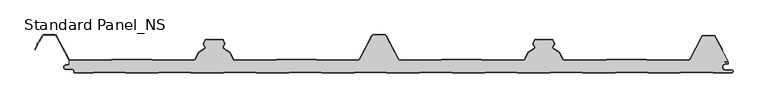
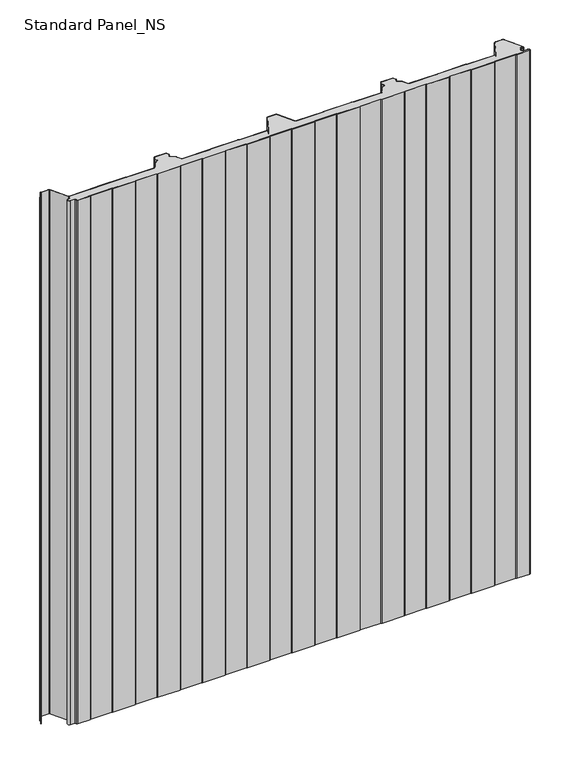
"""IFC4 building model written with IfcOpenShell, lengths in millimetres: proxy geometry, Standard Panel_NS."""

from ifc_helpers import new_model, si_unit, point, frame_2d, origin, origin_with_axes, place, context, project, spatial, polyline, circle_curve, trimmed, segment, composite_curve, outline, extrude, source, transform, mapped, element, save


def standard_panel_ns_ea14950c(model_context):
    return source(origin(), model_context, "Body", "SweptSolid", [
        extrude(outline(composite_curve([segment(polyline([(-467.4564897, 19.186297), (-406.1619183, 19.186297), (-403.7802849, 20.1546867), (-343.9889442, 20.1546867), (-341.6073108, 19.186297), (-279.468044, 19.186297)]), True, "CONTINUOUS"), segment(trimmed(circle_curve(frame_2d((-279.4708299, 20.9862949)), 1.8), [point((-279.468044, 19.186297))], [point((-277.8815327, 20.1412302))], True, "CARTESIAN"), True, "CONTINUOUS"), segment(polyline([(-277.8815327, 20.1412302), (-271.7571118, 31.6593134), (-262.7737199, 37.3469308)]), True, "CONTINUOUS"), segment(trimmed(circle_curve(frame_2d((-263.7365884, 38.8677478)), 1.8), [point((-262.7737199, 37.3469308))], [point((-262.1275659, 39.6746224))], True, "CARTESIAN"), True, "CONTINUOUS"), segment(polyline([(-262.1275659, 39.6746224), (-264.7246358, 44.8535484), (-261.74715, 50.4532499), (-236.2531818, 50.4532499), (-233.2700817, 44.8427209), (-235.8618916, 39.6745401)]), True, "CONTINUOUS"), segment(trimmed(circle_curve(frame_2d((-234.2528851, 38.8676336)), 1.8), [point((-235.8618916, 39.6745401))], [point((-235.2157839, 37.3468358))], True, "CARTESIAN"), True, "CONTINUOUS"), segment(polyline([(-235.2157839, 37.3468358), (-226.2491619, 31.6695862), (-220.1195157, 20.1411234)]), True, "CONTINUOUS"), segment(trimmed(circle_curve(frame_2d((-218.5304355, 20.9860322)), 1.7997352), [point((-220.1195157, 20.1411234))], [point((-218.5304355, 19.186297))], True, "CARTESIAN"), True, "CONTINUOUS"), segment(polyline([(-218.5304355, 19.186297), (-156.392871, 19.186297), (-154.0112306, 20.1546867), (-94.2198897, 20.1546867), (-91.8382499, 19.186297), (-30.5436784, 19.186297)]), True, "CONTINUOUS"), segment(trimmed(circle_curve(frame_2d((-30.5436784, 21.736297)), 2.55), [point((-30.5436784, 19.186297))], [point((-28.292162, 20.5391446))], True, "CARTESIAN"), True, "CONTINUOUS"), segment(polyline([(-28.292162, 20.5391446), (-9.1889275, 56.4671034)]), True, "CONTINUOUS"), segment(trimmed(circle_curve(frame_2d((-7.3788849, 55.5046867)), 2.05), [point((-9.1889275, 56.4671034))], [point((-7.3788849, 57.5546867))], False, "CARTESIAN"), True, "CONTINUOUS"), segment(polyline([(-7.3788849, 57.5546867), (9.3787035, 57.5546867)]), True, "CONTINUOUS"), segment(trimmed(circle_curve(frame_2d((9.3787035, 55.5046867)), 2.05), [point((9.3787035, 57.5546867))], [point((11.188746, 56.4671034))], False, "CARTESIAN"), True, "CONTINUOUS"), segment(polyline([(11.188746, 56.4671034), (30.2919806, 20.5391446)]), True, "CONTINUOUS"), segment(trimmed(circle_curve(frame_2d((32.543497, 21.736297)), 2.55), [point((30.2919806, 20.5391446))], [point((32.543497, 19.186297))], True, "CARTESIAN"), True, "CONTINUOUS"), segment(polyline([(32.543497, 19.186297), (93.8380684, 19.186297), (96.2197082, 20.1546867), (156.0110491, 20.1546867), (158.3926889, 19.186297), (220.3454724, 19.186297)]), True, "CONTINUOUS"), segment(trimmed(circle_curve(frame_2d((220.5302541, 20.9767874)), 1.8), [point((220.3454724, 19.186297))], [point((222.1195681, 20.1317543))], True, "CARTESIAN"), True, "CONTINUOUS"), segment(polyline([(222.1195681, 20.1317543), (228.2489804, 31.6597772), (237.2156025, 37.3370268)]), True, "CONTINUOUS"), segment(trimmed(circle_curve(frame_2d((236.2527038, 38.8578247)), 1.8), [point((237.2156025, 37.3370268))], [point((237.8617103, 39.6647312))], True, "CARTESIAN"), True, "CONTINUOUS"), segment(polyline([(237.8617103, 39.6647312), (235.2699012, 44.8329103), (238.2529825, 50.4436039), (263.7468294, 50.4436039), (266.7244548, 44.8437404), (264.1273846, 39.6648134)]), True, "CONTINUOUS"), segment(trimmed(circle_curve(frame_2d((265.7364071, 38.8579389)), 1.8), [point((264.1273846, 39.6648134))], [point((264.7735386, 37.3371219))], True, "CARTESIAN"), True, "CONTINUOUS"), segment(polyline([(264.7735386, 37.3371219), (273.7569305, 31.6495044), (279.8813514, 20.1314213)]), True, "CONTINUOUS"), segment(trimmed(circle_curve(frame_2d((281.4706486, 20.976486)), 1.8), [point((279.8813514, 20.1314213))], [point((281.6583282, 19.186297))], True, "CARTESIAN"), True, "CONTINUOUS"), segment(polyline([(281.6583282, 19.186297), (343.440414, 19.186297), (346.4559229, 20.1546867), (406.3541332, 20.1546867), (409.30759, 19.186297), (470.7064911, 19.186297)]), True, "CONTINUOUS"), segment(trimmed(circle_curve(frame_2d((470.7064911, 21.7061794)), 2.5198823), [point((470.7064911, 19.186297))], [point((472.9163892, 20.4953296))], True, "CARTESIAN"), True, "CONTINUOUS"), segment(polyline([(472.9163892, 20.4953296), (491.4348615, 55.4676577)]), True, "CONTINUOUS"), segment(trimmed(circle_curve(frame_2d((493.2446093, 54.5046867)), 2.05), [point((491.4348615, 55.4676577))], [point((493.2446093, 56.5546867))], False, "CARTESIAN"), True, "CONTINUOUS"), segment(polyline([(493.2446093, 56.5546867), (508.7552093, 56.5546867)]), True, "CONTINUOUS"), segment(trimmed(circle_curve(frame_2d((508.7552093, 54.5046867)), 2.05), [point((508.7552093, 56.5546867))], [point((510.5652518, 55.4671034))], False, "CARTESIAN"), True, "CONTINUOUS"), segment(polyline([(510.5652518, 55.4671034), (531.1556156, 16.7422613), (531.1556156, 15.3551162)]), True, "CONTINUOUS"), segment(trimmed(circle_curve(frame_2d((529.5058468, 15.3274964)), 1.65), [point((531.1556156, 15.3551162))], [point((529.7378129, 16.9611095))], True, "CARTESIAN"), True, "CONTINUOUS"), segment(polyline([(529.7378129, 16.9611095), (524.8136969, 17.660313), (524.7012285, 16.8682582), (529.6253445, 16.1690547)]), True, "CONTINUOUS"), segment(trimmed(circle_curve(frame_2d((529.5058468, 15.3274964)), 0.85), [point((529.6253445, 16.1690547))], [point((529.6534477, 14.4904098))], False, "CARTESIAN"), True, "CONTINUOUS"), segment(polyline([(529.6534477, 14.4904098), (525.3286815, 13.7278368)]), True, "CONTINUOUS"), segment(trimmed(circle_curve(frame_2d((526.1535103, 9.05)), 4.75), [point((525.3286815, 13.7278368))], [point((526.1535103, 4.3))], True, "CARTESIAN"), True, "CONTINUOUS"), segment(polyline([(526.1535103, 4.3), (535.6535103, 4.3)]), True, "CONTINUOUS"), segment(trimmed(circle_curve(frame_2d((535.6535103, 2.55)), 1.75), [point((535.6535103, 4.3))], [point((535.6535103, 0.8))], False, "CARTESIAN"), True, "CONTINUOUS"), segment(polyline([(535.6535103, 0.8), (508.0955244, 0.8), (506.3634736, 1.8), (459.8988565, 1.8), (458.1668057, 0.8), (409.0955244, 0.8), (407.3634736, 1.8), (360.8988565, 1.8), (359.1668057, 0.8), (310.0955244, 0.8), (308.3634736, 1.8), (261.8988565, 1.8), (260.1668057, 0.8), (211.097319, 0.8), (209.3228176, 1.8), (162.8988565, 1.8), (161.1668057, 0.8), (112.0955244, 0.8), (110.3634736, 1.8), (63.8988565, 1.8), (62.1668057, 0.8), (13.0955244, 0.8), (11.3634736, 1.8), (-35.1011435, 1.8), (-36.8331943, 0.8), (-85.902681, 0.8), (-87.6771824, 1.8), (-134.1011435, 1.8), (-135.8331943, 0.8), (-184.902681, 0.8), (-186.6771824, 1.8), (-233.1011435, 1.8), (-234.8331943, 0.8), (-283.9044756, 0.8), (-285.6365264, 1.8), (-332.1011435, 1.8), (-333.8331943, 0.786297), (-382.902681, 0.786297), (-384.6771824, 1.786297), (-431.1011435, 1.786297), (-432.8331943, 0.786297), (-459.8464897, 0.786297)]), True, "CONTINUOUS"), segment(trimmed(circle_curve(frame_2d((-459.8464897, 2.036297)), 1.25), [point((-459.8464897, 0.786297))], [point((-461.0964897, 2.036297))], False, "CARTESIAN"), True, "CONTINUOUS"), segment(polyline([(-461.0964897, 2.036297), (-461.0964897, 3.436297)]), True, "CONTINUOUS"), segment(trimmed(circle_curve(frame_2d((-463.8464897, 3.436297)), 2.75), [point((-461.0964897, 3.436297))], [point((-463.8464897, 6.186297))], True, "CARTESIAN"), True, "CONTINUOUS"), segment(polyline([(-463.8464897, 6.186297), (-473.6464897, 6.186297)]), True, "CONTINUOUS"), segment(trimmed(circle_curve(frame_2d((-473.6464897, 9.036297)), 2.85), [point((-473.6464897, 6.186297))], [point((-474.2876002, 11.8132517))], False, "CARTESIAN"), True, "CONTINUOUS"), segment(polyline([(-474.2876002, 11.8132517), (-468.8443846, 13.0699171), (-468.8443846, 19.5970804)]), True, "CONTINUOUS"), segment(trimmed(circle_curve(frame_2d((-467.4564897, 21.736297)), 2.55), [point((-468.8443846, 19.5970804))], [point((-467.4564897, 19.186297))], True, "CARTESIAN"), True, "CONTINUOUS")], self_intersect=False)), origin_with_axes(), (0.0, 0.0, 1.0), 1219.2),
        extrude(outline(composite_curve([segment(polyline([(535.6535103, 0.0), (507.881165, 0.0), (506.1491142, 1.0), (460.1132158, 1.0), (458.381165, 0.0), (408.881165, 0.0), (407.1491142, 1.0), (361.1132158, 1.0), (359.381165, 0.0), (309.881165, 0.0), (308.1491142, 1.0), (262.1132158, 1.0), (260.381165, 0.0), (210.8874211, 0.0), (209.1129196, 1.0), (163.1132158, 1.0), (161.381165, 0.0), (111.881165, 0.0), (110.1491142, 1.0), (64.1132158, 1.0), (62.381165, 0.0), (12.881165, 0.0), (11.1491142, 1.0), (-34.8867842, 1.0), (-36.618835, 0.0), (-86.1125789, 0.0), (-87.8870804, 1.0), (-133.8867842, 1.0), (-135.618835, 0.0), (-185.1125789, 0.0), (-186.8870804, 1.0), (-232.8867842, 1.0), (-234.618835, 0.0), (-284.118835, 0.0), (-285.8508858, 1.0), (-331.8867842, 1.0), (-333.618835, -0.013703), (-383.1125789, -0.013703), (-384.8870804, 0.986297), (-430.8867842, 0.986297), (-432.618835, -0.013703), (-459.8464897, -0.013703)]), True, "CONTINUOUS"), segment(trimmed(circle_curve(frame_2d((-459.8464897, 2.036297)), 2.05), [point((-459.8464897, -0.013703))], [point((-461.8964897, 2.036297))], False, "CARTESIAN"), True, "CONTINUOUS"), segment(polyline([(-461.8964897, 2.036297), (-461.8964897, 3.436297)]), True, "CONTINUOUS"), segment(trimmed(circle_curve(frame_2d((-463.8464897, 3.436297)), 1.95), [point((-461.8964897, 3.436297))], [point((-463.8464897, 5.386297))], True, "CARTESIAN"), True, "CONTINUOUS"), segment(polyline([(-463.8464897, 5.386297), (-473.6464897, 5.386297)]), True, "CONTINUOUS"), segment(trimmed(circle_curve(frame_2d((-473.6464897, 9.036297)), 3.65), [point((-473.6464897, 5.386297))], [point((-474.4675611, 12.5927478))], False, "CARTESIAN"), True, "CONTINUOUS"), segment(polyline([(-474.4675611, 12.5927478), (-469.0243454, 13.8494131), (-468.8443846, 13.0699171), (-474.2876002, 11.8132517)]), True, "CONTINUOUS"), segment(trimmed(circle_curve(frame_2d((-473.6464897, 9.036297)), 2.85), [point((-474.2876002, 11.8132517))], [point((-473.6464897, 6.186297))], True, "CARTESIAN"), True, "CONTINUOUS"), segment(polyline([(-473.6464897, 6.186297), (-463.8464897, 6.186297)]), True, "CONTINUOUS"), segment(trimmed(circle_curve(frame_2d((-463.8464897, 3.436297)), 2.75), [point((-463.8464897, 6.186297))], [point((-461.0964897, 3.436297))], False, "CARTESIAN"), True, "CONTINUOUS"), segment(polyline([(-461.0964897, 3.436297), (-461.0964897, 2.036297)]), True, "CONTINUOUS"), segment(trimmed(circle_curve(frame_2d((-459.8464897, 2.036297)), 1.25), [point((-461.0964897, 2.036297))], [point((-459.8464897, 0.786297))], True, "CARTESIAN"), True, "CONTINUOUS"), segment(polyline([(-459.8464897, 0.786297), (-432.8331943, 0.786297), (-431.1011435, 1.786297), (-384.6771824, 1.786297), (-382.902681, 0.786297), (-333.8331943, 0.786297), (-332.1011435, 1.8), (-285.6365264, 1.8), (-283.9044756, 0.8), (-234.8331943, 0.8), (-233.1011435, 1.8), (-186.6771824, 1.8), (-184.902681, 0.8), (-135.8331943, 0.8), (-134.1011435, 1.8), (-87.6771824, 1.8), (-85.902681, 0.8), (-36.8331943, 0.8), (-35.1011435, 1.8), (11.3634736, 1.8), (13.0955244, 0.8), (62.1668057, 0.8), (63.8988565, 1.8), (110.3634736, 1.8), (112.0955244, 0.8), (161.1668057, 0.8), (162.8988565, 1.8), (209.3228176, 1.8), (211.097319, 0.8), (260.1668057, 0.8), (261.8988565, 1.8), (308.3634736, 1.8), (310.0955244, 0.8), (359.1668057, 0.8), (360.8988565, 1.8), (407.3634736, 1.8), (409.0955244, 0.8), (458.1668057, 0.8), (459.8988565, 1.8), (506.3634736, 1.8), (508.0955244, 0.8), (535.6535103, 0.8)]), True, "CONTINUOUS"), segment(trimmed(circle_curve(frame_2d((535.6535103, 2.55)), 1.75), [point((535.6535103, 0.8))], [point((535.6535103, 4.3))], True, "CARTESIAN"), True, "CONTINUOUS"), segment(polyline([(535.6535103, 4.3), (526.1535103, 4.3)]), True, "CONTINUOUS"), segment(trimmed(circle_curve(frame_2d((526.1535103, 9.05)), 4.75), [point((526.1535103, 4.3))], [point((525.3286815, 13.7278368))], False, "CARTESIAN"), True, "CONTINUOUS"), segment(polyline([(525.3286815, 13.7278368), (529.6534477, 14.4904098)]), True, "CONTINUOUS"), segment(trimmed(circle_curve(frame_2d((529.5058468, 15.3274964)), 0.85), [point((529.6534477, 14.4904098))], [point((529.6253445, 16.1690547))], True, "CARTESIAN"), True, "CONTINUOUS"), segment(polyline([(529.6253445, 16.1690547), (524.7012285, 16.8682582), (524.8136969, 17.660313), (529.7378129, 16.9611095)]), True, "CONTINUOUS"), segment(trimmed(circle_curve(frame_2d((529.5058468, 15.3274964)), 1.65), [point((529.7378129, 16.9611095))], [point((529.7923663, 13.7025636))], False, "CARTESIAN"), True, "CONTINUOUS"), segment(polyline([(529.7923663, 13.7025636), (525.4676, 12.9399906)]), True, "CONTINUOUS"), segment(trimmed(circle_curve(frame_2d((526.1535103, 9.05)), 3.95), [point((525.4676, 12.9399906))], [point((526.1535103, 5.1))], True, "CARTESIAN"), True, "CONTINUOUS"), segment(polyline([(526.1535103, 5.1), (535.6535103, 5.1)]), True, "CONTINUOUS"), segment(trimmed(circle_curve(frame_2d((535.6535103, 2.55)), 2.55), [point((535.6535103, 5.1))], [point((535.6535103, 0.0))], False, "CARTESIAN"), True, "CONTINUOUS")], self_intersect=False)), origin_with_axes(), (0.0, 0.0, 1.0), 1219.2),
        extrude(outline(composite_curve([segment(polyline([(-467.4564897, 20.0), (-406.318343, 20.0), (-403.9367096, 20.9683897), (-343.8325195, 20.9683897), (-341.4508861, 20.0), (-279.4687534, 20.0)]), True, "CONTINUOUS"), segment(trimmed(circle_curve(frame_2d((-279.4708299, 20.9999978)), 1.0), [point((-279.4687534, 20.0))], [point((-278.587887, 20.5305175))], True, "CARTESIAN"), True, "CONTINUOUS"), segment(polyline([(-278.587887, 20.5305175), (-272.3640204, 32.2356263), (-263.2016615, 38.0365524)]), True, "CONTINUOUS"), segment(trimmed(circle_curve(frame_2d((-263.7365884, 38.8814507)), 1.0), [point((-263.2016615, 38.0365524))], [point((-262.842687, 39.3297144))], True, "CARTESIAN"), True, "CONTINUOUS"), segment(polyline([(-262.842687, 39.3297144), (-265.393451, 44.4163001)]), True, "CONTINUOUS"), segment(trimmed(circle_curve(frame_2d((-264.4995496, 44.8645637)), 1.0), [point((-265.393451, 44.4163001))], [point((-265.3824926, 45.3340441))], False, "CARTESIAN"), True, "CONTINUOUS"), segment(polyline([(-265.3824926, 45.3340441), (-262.6508365, 50.4714183)]), True, "CONTINUOUS"), segment(trimmed(circle_curve(frame_2d((-261.3264221, 49.7671978)), 1.5), [point((-262.6508365, 50.4714183))], [point((-261.2993182, 51.2669529))], False, "CARTESIAN"), True, "CONTINUOUS"), segment(polyline([(-261.2993182, 51.2669529), (-236.6737889, 51.2669529)]), True, "CONTINUOUS"), segment(trimmed(circle_curve(frame_2d((-236.6737889, 49.7669529)), 1.5), [point((-236.6737889, 51.2669529))], [point((-235.3493606, 50.4711471))], False, "CARTESIAN"), True, "CONTINUOUS"), segment(polyline([(-235.3493606, 50.4711471), (-232.6122157, 45.3232034)]), True, "CONTINUOUS"), segment(trimmed(circle_curve(frame_2d((-233.4951679, 44.8537406)), 1.0), [point((-232.6122157, 45.3232034))], [point((-232.6012754, 44.4054592))], False, "CARTESIAN"), True, "CONTINUOUS"), segment(polyline([(-232.6012754, 44.4054592), (-235.1467776, 39.329618)]), True, "CONTINUOUS"), segment(trimmed(circle_curve(frame_2d((-234.2528851, 38.8813366)), 1.0), [point((-235.1467776, 39.329618))], [point((-234.7878289, 38.0364489))], True, "CARTESIAN"), True, "CONTINUOUS"), segment(polyline([(-234.7878289, 38.0364489), (-225.6422421, 32.2458871), (-219.413154, 20.5303966)]), True, "CONTINUOUS"), segment(trimmed(circle_curve(frame_2d((-218.5304355, 20.9997352)), 0.9997353), [point((-219.413154, 20.5303966))], [point((-218.5304355, 19.9999999))], True, "CARTESIAN"), True, "CONTINUOUS"), segment(polyline([(-218.5304355, 19.9999999), (-156.5492953, 19.9999999), (-154.1676549, 20.9683897), (-94.0634654, 20.9683897), (-91.6818255, 20.0), (-30.5436784, 20.0)]), True, "CONTINUOUS"), segment(trimmed(circle_curve(frame_2d((-30.5436784, 21.75)), 1.75), [point((-30.5436784, 20.0))], [point((-28.9985201, 20.9284248))], True, "CARTESIAN"), True, "CONTINUOUS"), segment(polyline([(-28.9985201, 20.9284248), (-9.8952855, 56.8563836)]), True, "CONTINUOUS"), segment(trimmed(circle_curve(frame_2d((-7.3788849, 55.5183897)), 2.85), [point((-9.8952855, 56.8563836))], [point((-7.3788849, 58.3683897))], False, "CARTESIAN"), True, "CONTINUOUS"), segment(polyline([(-7.3788849, 58.3683897), (9.3787035, 58.3683897)]), True, "CONTINUOUS"), segment(trimmed(circle_curve(frame_2d((9.3787035, 55.5183897)), 2.85), [point((9.3787035, 58.3683897))], [point((11.8951041, 56.8563836))], False, "CARTESIAN"), True, "CONTINUOUS"), segment(polyline([(11.8951041, 56.8563836), (30.9983387, 20.9284248)]), True, "CONTINUOUS"), segment(trimmed(circle_curve(frame_2d((32.543497, 21.75)), 1.75), [point((30.9983387, 20.9284248))], [point((32.543497, 20.0))], True, "CARTESIAN"), True, "CONTINUOUS"), segment(polyline([(32.543497, 20.0), (93.6816441, 20.0), (96.0632839, 20.9683897), (156.1674734, 20.9683897), (158.5491133, 20.0), (220.3926719, 20.0)]), True, "CONTINUOUS"), segment(trimmed(circle_curve(frame_2d((220.5302541, 20.9904904)), 1.0), [point((220.3926719, 20.0))], [point((221.4132063, 20.5210275))], True, "CARTESIAN"), True, "CONTINUOUS"), segment(polyline([(221.4132063, 20.5210275), (227.6420606, 32.2360781), (236.7876475, 38.0266399)]), True, "CONTINUOUS"), segment(trimmed(circle_curve(frame_2d((236.2527038, 38.8715276)), 1.0), [point((236.7876475, 38.0266399))], [point((237.1465963, 39.319809))], True, "CARTESIAN"), True, "CONTINUOUS"), segment(polyline([(237.1465963, 39.319809), (234.6010941, 44.3956503)]), True, "CONTINUOUS"), segment(trimmed(circle_curve(frame_2d((235.4949866, 44.8439317)), 1.0), [point((234.6010941, 44.3956503))], [point((234.6120274, 45.3133815))], False, "CARTESIAN"), True, "CONTINUOUS"), segment(polyline([(234.6120274, 45.3133815), (237.3491357, 50.4614397)]), True, "CONTINUOUS"), segment(trimmed(circle_curve(frame_2d((238.673644, 49.7572281)), 1.5000788), [point((237.3491357, 50.4614397))], [point((238.673644, 51.2573069))], False, "CARTESIAN"), True, "CONTINUOUS"), segment(polyline([(238.673644, 51.2573069), (263.3262591, 51.2573069)]), True, "CONTINUOUS"), segment(trimmed(circle_curve(frame_2d((263.3262591, 49.7573465)), 1.4999604), [point((263.3262591, 51.2573069))], [point((264.6506332, 50.4615583))], False, "CARTESIAN"), True, "CONTINUOUS"), segment(polyline([(264.6506332, 50.4615583), (267.3823077, 45.3242418)]), True, "CONTINUOUS"), segment(trimmed(circle_curve(frame_2d((266.4993683, 44.8547548)), 1.0), [point((267.3823077, 45.3242418))], [point((267.3932697, 44.4064911))], False, "CARTESIAN"), True, "CONTINUOUS"), segment(polyline([(267.3932697, 44.4064911), (264.8425057, 39.3199055)]), True, "CONTINUOUS"), segment(trimmed(circle_curve(frame_2d((265.7364071, 38.8716418)), 1.0), [point((264.8425057, 39.3199055))], [point((265.2014801, 38.0267435))], True, "CARTESIAN"), True, "CONTINUOUS"), segment(polyline([(265.2014801, 38.0267435), (274.3638391, 32.2258174), (280.5877057, 20.5207085)]), True, "CONTINUOUS"), segment(trimmed(circle_curve(frame_2d((281.4706486, 20.9901889)), 1.0), [point((280.5877057, 20.5207085))], [point((281.6103837, 20.0))], True, "CARTESIAN"), True, "CONTINUOUS"), segment(polyline([(281.6103837, 20.0), (343.3151107, 20.0), (346.3306196, 20.9683897), (406.4819392, 20.9683897), (409.435396, 20.0), (470.7064911, 20.0)]), True, "CONTINUOUS"), segment(trimmed(circle_curve(frame_2d((470.7064911, 21.7198823)), 1.7198823), [point((470.7064911, 20.0))], [point((472.2123141, 20.8889236))], True, "CARTESIAN"), True, "CONTINUOUS"), segment(polyline([(472.2123141, 20.8889236), (490.7282086, 55.8563836)]), True, "CONTINUOUS"), segment(trimmed(circle_curve(frame_2d((493.2446093, 54.5183897)), 2.85), [point((490.7282086, 55.8563836))], [point((493.2446093, 57.3683897))], False, "CARTESIAN"), True, "CONTINUOUS"), segment(polyline([(493.2446093, 57.3683897), (508.7552093, 57.3683897)]), True, "CONTINUOUS"), segment(trimmed(circle_curve(frame_2d((508.7552093, 54.5183897)), 2.85), [point((508.7552093, 57.3683897))], [point((511.2716099, 55.8563836))], False, "CARTESIAN"), True, "CONTINUOUS"), segment(polyline([(511.2716099, 55.8563836), (522.2394046, 35.2289619), (521.5330465, 34.8533847), (510.5652518, 55.4808064)]), True, "CONTINUOUS"), segment(trimmed(circle_curve(frame_2d((508.7552093, 54.5183897)), 2.05), [point((510.5652518, 55.4808064))], [point((508.7552093, 56.5683897))], True, "CARTESIAN"), True, "CONTINUOUS"), segment(polyline([(508.7552093, 56.5683897), (493.2446093, 56.5683897)]), True, "CONTINUOUS"), segment(trimmed(circle_curve(frame_2d((493.2446093, 54.5183897)), 2.05), [point((493.2446093, 56.5683897))], [point((491.4348615, 55.4813607))], True, "CARTESIAN"), True, "CONTINUOUS"), segment(polyline([(491.4348615, 55.4813607), (472.9163892, 20.5090325)]), True, "CONTINUOUS"), segment(trimmed(circle_curve(frame_2d((470.7064911, 21.7198823)), 2.5198823), [point((472.9163892, 20.5090325))], [point((470.7064911, 19.2))], False, "CARTESIAN"), True, "CONTINUOUS"), segment(polyline([(470.7064911, 19.2), (409.30759, 19.2), (406.3541332, 20.1683897), (346.4559229, 20.1683897), (343.440414, 19.2), (281.6583282, 19.2)]), True, "CONTINUOUS"), segment(trimmed(circle_curve(frame_2d((281.4706486, 20.9901889)), 1.8), [point((281.6583282, 19.2))], [point((279.8813514, 20.1451242))], False, "CARTESIAN"), True, "CONTINUOUS"), segment(polyline([(279.8813514, 20.1451242), (273.7569305, 31.6632074), (264.7735386, 37.3508249)]), True, "CONTINUOUS"), segment(trimmed(circle_curve(frame_2d((265.7364071, 38.8716418)), 1.8), [point((264.7735386, 37.3508249))], [point((264.1273846, 39.6785164))], False, "CARTESIAN"), True, "CONTINUOUS"), segment(polyline([(264.1273846, 39.6785164), (266.7244548, 44.8574433), (263.7468294, 50.4573069), (238.2529825, 50.4573069), (235.2699012, 44.8466132), (237.8617103, 39.6784342)]), True, "CONTINUOUS"), segment(trimmed(circle_curve(frame_2d((236.2527038, 38.8715276)), 1.8), [point((237.8617103, 39.6784342))], [point((237.2156025, 37.3507298))], False, "CARTESIAN"), True, "CONTINUOUS"), segment(polyline([(237.2156025, 37.3507298), (228.2489804, 31.6734802), (222.1195681, 20.1454573)]), True, "CONTINUOUS"), segment(trimmed(circle_curve(frame_2d((220.5302541, 20.9904904)), 1.8), [point((222.1195681, 20.1454573))], [point((220.3454724, 19.2))], False, "CARTESIAN"), True, "CONTINUOUS"), segment(polyline([(220.3454724, 19.2), (158.3926889, 19.2), (156.0110491, 20.1683897), (96.2197082, 20.1683897), (93.8380684, 19.2), (32.543497, 19.2)]), True, "CONTINUOUS"), segment(trimmed(circle_curve(frame_2d((32.543497, 21.75)), 2.55), [point((32.543497, 19.2))], [point((30.2919806, 20.5528475))], False, "CARTESIAN"), True, "CONTINUOUS"), segment(polyline([(30.2919806, 20.5528475), (11.188746, 56.4808064)]), True, "CONTINUOUS"), segment(trimmed(circle_curve(frame_2d((9.3787035, 55.5183897)), 2.05), [point((11.188746, 56.4808064))], [point((9.3787035, 57.5683897))], True, "CARTESIAN"), True, "CONTINUOUS"), segment(polyline([(9.3787035, 57.5683897), (-7.3788849, 57.5683897)]), True, "CONTINUOUS"), segment(trimmed(circle_curve(frame_2d((-7.3788849, 55.5183897)), 2.05), [point((-7.3788849, 57.5683897))], [point((-9.1889275, 56.4808064))], True, "CARTESIAN"), True, "CONTINUOUS"), segment(polyline([(-9.1889275, 56.4808064), (-28.292162, 20.5528475)]), True, "CONTINUOUS"), segment(trimmed(circle_curve(frame_2d((-30.5436784, 21.75)), 2.55), [point((-28.292162, 20.5528475))], [point((-30.5436784, 19.2))], False, "CARTESIAN"), True, "CONTINUOUS"), segment(polyline([(-30.5436784, 19.2), (-91.8382499, 19.2), (-94.2198897, 20.1683897), (-154.0112306, 20.1683897), (-156.392871, 19.2), (-218.5304355, 19.2)]), True, "CONTINUOUS"), segment(trimmed(circle_curve(frame_2d((-218.5304355, 20.9997352)), 1.7997352), [point((-218.5304355, 19.2))], [point((-220.1195157, 20.1548264))], False, "CARTESIAN"), True, "CONTINUOUS"), segment(polyline([(-220.1195157, 20.1548264), (-226.2491619, 31.6832892), (-235.2157839, 37.3605387)]), True, "CONTINUOUS"), segment(trimmed(circle_curve(frame_2d((-234.2528851, 38.8813366)), 1.8), [point((-235.2157839, 37.3605387))], [point((-235.8618916, 39.6882431))], False, "CARTESIAN"), True, "CONTINUOUS"), segment(polyline([(-235.8618916, 39.6882431), (-233.2700817, 44.8564238), (-236.2531818, 50.4669529), (-261.74715, 50.4669529), (-264.7246358, 44.8672514), (-262.1275659, 39.6883253)]), True, "CONTINUOUS"), segment(trimmed(circle_curve(frame_2d((-263.7365884, 38.8814507)), 1.8), [point((-262.1275659, 39.6883253))], [point((-262.7737199, 37.3606338))], False, "CARTESIAN"), True, "CONTINUOUS"), segment(polyline([(-262.7737199, 37.3606338), (-271.7571118, 31.6730163), (-277.8815327, 20.1549332)]), True, "CONTINUOUS"), segment(trimmed(circle_curve(frame_2d((-279.4708299, 20.9999978)), 1.8), [point((-277.8815327, 20.1549332))], [point((-279.468044, 19.2))], False, "CARTESIAN"), True, "CONTINUOUS"), segment(polyline([(-279.468044, 19.2), (-341.6073108, 19.2), (-343.9889442, 20.1683897), (-403.7802849, 20.1683897), (-406.1619183, 19.2), (-467.4564897, 19.2)]), True, "CONTINUOUS"), segment(trimmed(circle_curve(frame_2d((-467.4564897, 21.75)), 2.55), [point((-467.4564897, 19.2))], [point((-469.7080061, 20.5528475))], False, "CARTESIAN"), True, "CONTINUOUS"), segment(polyline([(-469.7080061, 20.5528475), (-488.8112406, 56.4808064)]), True, "CONTINUOUS"), segment(trimmed(circle_curve(frame_2d((-490.6212832, 55.5183897)), 2.05), [point((-488.8112406, 56.4808064))], [point((-490.6212832, 57.5683897))], True, "CARTESIAN"), True, "CONTINUOUS"), segment(polyline([(-490.6212832, 57.5683897), (-507.3620907, 57.5683897)]), True, "CONTINUOUS"), segment(trimmed(circle_curve(frame_2d((-507.3620907, 55.5183897)), 2.05), [point((-507.3620907, 57.5683897))], [point((-509.1721333, 56.4808064))], True, "CARTESIAN"), True, "CONTINUOUS"), segment(polyline([(-509.1721333, 56.4808064), (-514.1174305, 47.1800551), (-516.4385398, 44.9723908), (-517.0120726, 41.7360251), (-520.1399217, 35.8533964), (-520.8462798, 36.2289737), (-517.7777505, 42.000038), (-517.1803883, 45.3708693), (-514.7628407, 47.6702585), (-509.8784914, 56.8563836)]), True, "CONTINUOUS"), segment(trimmed(circle_curve(frame_2d((-507.3620907, 55.5183897)), 2.85), [point((-509.8784914, 56.8563836))], [point((-507.3620907, 58.3683897))], False, "CARTESIAN"), True, "CONTINUOUS"), segment(polyline([(-507.3620907, 58.3683897), (-490.6212832, 58.3683897)]), True, "CONTINUOUS"), segment(trimmed(circle_curve(frame_2d((-490.6212832, 55.5183897)), 2.85), [point((-490.6212832, 58.3683897))], [point((-488.1048826, 56.8563836))], False, "CARTESIAN"), True, "CONTINUOUS"), segment(polyline([(-488.1048826, 56.8563836), (-469.001648, 20.9284248)]), True, "CONTINUOUS"), segment(trimmed(circle_curve(frame_2d((-467.4564897, 21.75)), 1.75), [point((-469.001648, 20.9284248))], [point((-467.4564897, 20.0))], True, "CARTESIAN"), True, "CONTINUOUS")], self_intersect=False)), origin_with_axes(), (0.0, 0.0, 1.0), 1219.2),
    ])


if __name__ == "__main__":
    model = new_model("IFC4")
    model_context = context("Model", 3, world=origin())
    ifc_project = project(units=[si_unit("LENGTHUNIT", "METRE", prefix="MILLI")], contexts=[model_context])
    site = spatial("IfcSite", under=ifc_project)
    building = spatial("IfcBuilding", under=site)
    placement = place(None, origin())
    standard_panel_ns_shape = standard_panel_ns_ea14950c(model_context)
    element("IfcBuildingElementProxy", 1, Name="Standard Panel_NS", ObjectType="Standard Panel_NS", at=placement, inside=building, context=model_context, shape_type="MappedRepresentation", body=[
        mapped(standard_panel_ns_shape, transform((0.0, 0.0, 0.0), x_axis=(1.0, 0.0, 0.0), y_axis=(0.0, 1.0, 0.0), z_axis=(0.0, 0.0, 1.0))),
    ])
    save(model, "model.ifc")
